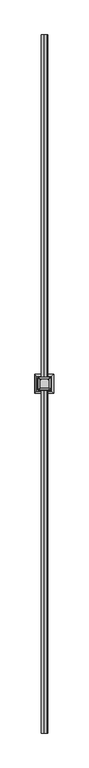
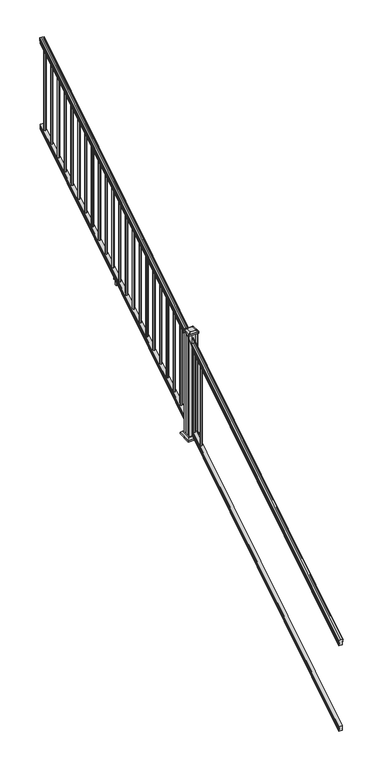
"""IFC4 building model written with IfcOpenShell, lengths in millimetres: railing geometry."""

from ifc_helpers import new_model, si_unit, point, frame, frame_2d, origin, place, context, project, spatial, polyline, circle_curve, ellipse_curve, trimmed, segment, composite_curve, outline, extrude, faceted_brep, source, transform, mapped, element, save
from ifc_brep_helpers import plane_surface, cylinder_surface, revolved_surface, extruded_surface, advanced_brep


def railing_e798751c(model_context):
    return source(origin(), model_context, "Body", "SolidModel", [
        advanced_brep(
        [(8367.5614371, -16813.8194681, 1133.2070492), (8370.1352659, -16813.8194681, 1133.2070492), (8370.1352659, -16813.8194681, 1120.6394336), (8369.1192659, -16813.8194681, 1119.441318), (8369.1192659, -16813.8194681, 1104.9), (8400.8692659, -16813.8194681, 1104.9), (8400.8692659, -16813.8194681, 1119.6274214), (8399.8532659, -16813.8194681, 1120.825537), (8399.8532659, -16813.8194681, 1133.2070492), (8402.4270946, -16813.8194681, 1133.2070492), (8402.4270946, -16813.8194681, 1135.4335658), (8403.5572809, -16813.8194681, 1137.2758543), (8403.5572809, -16813.8194681, 1145.7876358), (8402.9080245, -16813.8194681, 1148.6572588), (8405.4080245, -16813.8194681, 1153.7635509), (8406.817367, -16813.8194681, 1155.7442021), (8407.219266, -16813.8194681, 1157.0469579), (8407.2192659, -16813.8194681, 1158.6274846), (8405.6658186, -16813.8194681, 1160.4593836), (8384.9942659, -16813.8194681, 1160.4593836), (8364.3227131, -16813.8194681, 1160.4593836), (8362.7692659, -16813.8194681, 1158.6274846), (8362.7692659, -16813.8194681, 1157.0469579), (8363.1711648, -16813.8194681, 1155.7442021), (8364.5805072, -16813.8194681, 1153.7635509), (8367.0805072, -16813.8194681, 1148.6572588), (8366.4312508, -16813.8194681, 1145.7876358), (8366.4312508, -16813.8194681, 1137.2758543), (8367.5614371, -16813.8194681, 1135.4335658), (8367.5614371, -11937.0194681, 4181.2070492), (8367.5614371, -11937.0194681, 4183.4335658), (8366.4312508, -11937.0194681, 4185.2758543), (8366.4312508, -11937.0194681, 4193.7876358), (8367.0805072, -11937.0194681, 4196.6572588), (8364.5805072, -11937.0194681, 4201.7635509), (8363.1711648, -11937.0194681, 4203.7442021), (8362.7692658, -11937.0194681, 4205.0469579), (8362.7692659, -11937.0194681, 4206.6274846), (8364.3227131, -11937.0194681, 4208.4593836), (8384.9942659, -11937.0194681, 4208.4593836), (8405.6658186, -11937.0194681, 4208.4593836), (8407.2192659, -11937.0194681, 4206.6274846), (8407.2192659, -11937.0194681, 4205.0469579), (8406.817367, -11937.0194681, 4203.7442021), (8405.4080245, -11937.0194681, 4201.7635509), (8402.9080245, -11937.0194681, 4196.6572588), (8403.5572809, -11937.0194681, 4193.7876358), (8403.5572809, -11937.0194681, 4185.2758543), (8402.4270946, -11937.0194681, 4183.4335658), (8402.4270946, -11937.0194681, 4181.2070492), (8399.8532659, -11937.0194681, 4181.2070492), (8399.8532659, -11937.0194681, 4168.825537), (8400.8692659, -11937.0194681, 4167.6274214), (8400.8692659, -11937.0194681, 4152.9), (8369.1192659, -11937.0194681, 4152.9), (8369.1192659, -11937.0194681, 4167.441318), (8370.1352659, -11937.0194681, 4168.6394336), (8370.1352659, -11937.0194681, 4181.2070492)],
        [
            (0, 1, ellipse_curve(frame((8368.8483515, -16813.8194681, 1133.2070492), z_axis=(0.0, -1.0, 0.0), x_axis=(0.0, 0.0, -1.0)), 1.5175907, 1.2869144)),
            (1, 2),
            (2, 3),
            (3, 4),
            (4, 5),
            (5, 6),
            (6, 7),
            (7, 8),
            (8, 9, ellipse_curve(frame((8401.1401802, -16813.8194681, 1133.2070492), z_axis=(0.0, -1.0, 0.0), x_axis=(0.0, 0.0, -1.0)), 1.5175907, 1.2869144)),
            (9, 10),
            (10, 11, ellipse_curve(frame((8396.1123413, -16813.8194681, 1142.2239405), z_axis=(0.0, -1.0, 0.0), x_axis=(0.0, 0.0, -1.0)), 10.0777926, 8.545951)),
            (11, 12, ellipse_curve(frame((8396.5494043, -16813.8194681, 1141.5317451), z_axis=(0.0, -1.0, 0.0), x_axis=(0.0, 0.0, -1.0)), 9.2955186, 7.882584)),
            (12, 13, ellipse_curve(frame((8407.0627284, -16813.8194681, 1148.4275077), z_axis=(0.0, 1.0, 0.0), x_axis=(0.0, 0.0, 1.0)), 4.9048088, 4.1592695)),
            (13, 14, ellipse_curve(frame((8408.350035, -16813.8194681, 1148.3563208), z_axis=(0.0, 1.0, 0.0), x_axis=(0.0, 0.0, 1.0)), 6.4245301, 5.4479907)),
            (14, 15, ellipse_curve(frame((8407.1168765, -16813.8194681, 1153.7602333), z_axis=(0.0, 1.0, 0.0), x_axis=(0.0, 0.0, 1.0)), 2.0151625, 1.7088543)),
            (15, 16, ellipse_curve(frame((8405.4999764, -16813.8194681, 1157.0469579), z_axis=(0.0, -1.0, 0.0), x_axis=(0.0, 0.0, -1.0)), 2.0274681, 1.7192895)),
            (16, 17),
            (17, 18, ellipse_curve(frame((8405.6658186, -16813.8194681, 1158.6274846), z_axis=(0.0, -1.0, 0.0), x_axis=(0.0, 0.0, -1.0)), 1.831899, 1.5534472)),
            (18, 19),
            (19, 20),
            (20, 21, ellipse_curve(frame((8364.3227131, -16813.8194681, 1158.6274846), z_axis=(0.0, -1.0, 0.0), x_axis=(0.0, 0.0, -1.0)), 1.831899, 1.5534472)),
            (21, 22),
            (22, 23, ellipse_curve(frame((8364.4885553, -16813.8194681, 1157.0469579), z_axis=(0.0, -1.0, 0.0), x_axis=(0.0, 0.0, -1.0)), 2.0274681, 1.7192895)),
            (23, 24, ellipse_curve(frame((8362.8716552, -16813.8194681, 1153.7602333), z_axis=(0.0, 1.0, 0.0), x_axis=(0.0, 0.0, 1.0)), 2.0151625, 1.7088543)),
            (24, 25, ellipse_curve(frame((8361.6384968, -16813.8194681, 1148.3563208), z_axis=(0.0, 1.0, 0.0), x_axis=(0.0, 0.0, 1.0)), 6.4245301, 5.4479907)),
            (25, 26, ellipse_curve(frame((8362.9258033, -16813.8194681, 1148.4275077), z_axis=(0.0, 1.0, 0.0), x_axis=(0.0, 0.0, 1.0)), 4.9048088, 4.1592695)),
            (26, 27, ellipse_curve(frame((8373.4391275, -16813.8194681, 1141.5317451), z_axis=(0.0, -1.0, 0.0), x_axis=(0.0, 0.0, -1.0)), 9.2955186, 7.882584)),
            (27, 28, ellipse_curve(frame((8373.8761904, -16813.8194681, 1142.2239405), z_axis=(0.0, -1.0, 0.0), x_axis=(0.0, 0.0, -1.0)), 10.0777926, 8.545951)),
            (28, 0),
            (29, 30),
            (30, 31, ellipse_curve(frame((8373.8761904, -11937.0194681, 4190.2239405), z_axis=(0.0, 1.0, 0.0), x_axis=(0.0, 0.0, -1.0)), 10.0777926, 8.545951)),
            (31, 32, ellipse_curve(frame((8373.4391275, -11937.0194681, 4189.5317451), z_axis=(0.0, 1.0, 0.0), x_axis=(0.0, 0.0, -1.0)), 9.2955186, 7.882584)),
            (32, 33, ellipse_curve(frame((8362.9258033, -11937.0194681, 4196.4275077), z_axis=(0.0, -1.0, 0.0), x_axis=(0.0, 0.0, 1.0)), 4.9048088, 4.1592695)),
            (33, 34, ellipse_curve(frame((8361.6384968, -11937.0194681, 4196.3563208), z_axis=(0.0, -1.0, 0.0), x_axis=(0.0, 0.0, 1.0)), 6.4245301, 5.4479907)),
            (34, 35, ellipse_curve(frame((8362.8716552, -11937.0194681, 4201.7602333), z_axis=(0.0, -1.0, 0.0), x_axis=(0.0, 0.0, 1.0)), 2.0151625, 1.7088543)),
            (35, 36, ellipse_curve(frame((8364.4885553, -11937.0194681, 4205.0469579), z_axis=(0.0, 1.0, 0.0), x_axis=(0.0, 0.0, -1.0)), 2.0274681, 1.7192895)),
            (36, 37),
            (37, 38, ellipse_curve(frame((8364.3227131, -11937.0194681, 4206.6274846), z_axis=(0.0, 1.0, 0.0), x_axis=(0.0, 0.0, -1.0)), 1.831899, 1.5534472)),
            (38, 39),
            (39, 40),
            (40, 41, ellipse_curve(frame((8405.6658186, -11937.0194681, 4206.6274846), z_axis=(0.0, 1.0, 0.0), x_axis=(0.0, 0.0, -1.0)), 1.831899, 1.5534472)),
            (41, 42),
            (42, 43, ellipse_curve(frame((8405.4999764, -11937.0194681, 4205.0469579), z_axis=(0.0, 1.0, 0.0), x_axis=(0.0, 0.0, -1.0)), 2.0274681, 1.7192895)),
            (43, 44, ellipse_curve(frame((8407.1168765, -11937.0194681, 4201.7602333), z_axis=(0.0, -1.0, 0.0), x_axis=(0.0, 0.0, 1.0)), 2.0151625, 1.7088543)),
            (44, 45, ellipse_curve(frame((8408.350035, -11937.0194681, 4196.3563208), z_axis=(0.0, -1.0, 0.0), x_axis=(0.0, 0.0, 1.0)), 6.4245301, 5.4479907)),
            (45, 46, ellipse_curve(frame((8407.0627284, -11937.0194681, 4196.4275077), z_axis=(0.0, -1.0, 0.0), x_axis=(0.0, 0.0, 1.0)), 4.9048088, 4.1592695)),
            (46, 47, ellipse_curve(frame((8396.5494043, -11937.0194681, 4189.5317451), z_axis=(0.0, 1.0, 0.0), x_axis=(0.0, 0.0, -1.0)), 9.2955186, 7.882584)),
            (47, 48, ellipse_curve(frame((8396.1123413, -11937.0194681, 4190.2239405), z_axis=(0.0, 1.0, 0.0), x_axis=(0.0, 0.0, -1.0)), 10.0777926, 8.545951)),
            (48, 49),
            (49, 50, ellipse_curve(frame((8401.1401802, -11937.0194681, 4181.2070492), z_axis=(0.0, 1.0, 0.0), x_axis=(0.0, 0.0, -1.0)), 1.5175907, 1.2869144)),
            (50, 51),
            (51, 52),
            (52, 53),
            (53, 54),
            (54, 55),
            (55, 56),
            (56, 57),
            (57, 29, ellipse_curve(frame((8368.8483515, -11937.0194681, 4181.2070492), z_axis=(0.0, 1.0, 0.0), x_axis=(0.0, 0.0, -1.0)), 1.5175907, 1.2869144)),
            (0, 29),
            (57, 1),
            (56, 2),
            (55, 3),
            (54, 4),
            (53, 5),
            (52, 6),
            (51, 7),
            (50, 8),
            (49, 9),
            (48, 10),
            (47, 11),
            (46, 12),
            (45, 13),
            (44, 14),
            (43, 15),
            (42, 16),
            (41, 17),
            (40, 18),
            (39, 19),
            (38, 20),
            (37, 21),
            (36, 22),
            (35, 23),
            (34, 24),
            (33, 25),
            (32, 26),
            (31, 27),
            (30, 28),
        ],
        [
            plane_surface(frame((8384.9942659, -16813.8194681, 1104.9), z_axis=(0.0, -1.0, 0.0), x_axis=(0.0, 0.0, 1.0))),
            plane_surface(frame((8384.9942659, -11937.0194681, 4152.9), z_axis=(0.0, 1.0, 0.0), x_axis=(0.0, 0.0, 1.0))),
            cylinder_surface(frame((8368.8483515, -16826.5417374, 1125.2556309), z_axis=(0.0, -0.8479983040051251, -0.5299989400031206), x_axis=(1.0, 0.0, 0.0)), 1.2869144),
            plane_surface(frame((8370.1352659, -16813.8194681, 1133.2070492), z_axis=(-1.0000000000000002, 0.0, 0.0), x_axis=(0.0, 0.8479983040051251, 0.5299989400031208))),
            plane_surface(frame((8370.1352659, -16813.8194681, 1120.6394336), z_axis=(-0.7071067811865402, -0.37476584449789196, 0.5996253511967222), x_axis=(0.0, 0.8479983040051251, 0.5299989400031206))),
            plane_surface(frame((8369.1192659, -16813.8194681, 1119.441318), z_axis=(-1.0000000000000002, 0.0, 0.0), x_axis=(0.0, 0.8479983040051251, 0.5299989400031208))),
            plane_surface(frame((8369.1192659, -16813.8194681, 1104.9), z_axis=(0.0, 0.5299989400031208, -0.8479983040051251), x_axis=(0.0, 0.8479983040051251, 0.5299989400031208))),
            plane_surface(frame((8400.8692659, -16813.8194681, 1104.9), z_axis=(1.0000000000000002, 0.0, 0.0), x_axis=(0.0, 0.8479983040051251, 0.5299989400031208))),
            plane_surface(frame((8400.8692659, -16813.8194681, 1119.6274214), z_axis=(0.7071067811865426, -0.3747658444978923, 0.5996253511967192), x_axis=(0.0, 0.8479983040051251, 0.5299989400031208))),
            plane_surface(frame((8399.8532659, -16813.8194681, 1120.825537), z_axis=(1.0, 0.0, 0.0), x_axis=(0.0, 0.8479983040051251, 0.5299989400031206))),
            cylinder_surface(frame((8401.1401802, -16826.5417374, 1125.2556309), z_axis=(0.0, -0.8479983040051251, -0.5299989400031206), x_axis=(-1.0, 0.0, 0.0)), 1.2869144),
            plane_surface(frame((8402.4270946, -16813.8194681, 1133.2070492), z_axis=(1.0000000000000002, 0.0, 0.0), x_axis=(0.0, 0.8479983040051251, 0.5299989400031208))),
            cylinder_surface(frame((8396.1123413, -16830.5942728, 1131.7396876), z_axis=(0.0, -0.8479983040051251, -0.5299989400031206), x_axis=(-1.0, 0.0, 0.0)), 8.545951),
            cylinder_surface(frame((8396.5494043, -16830.2831737, 1131.241929), z_axis=(0.0, -0.8479983040051251, -0.5299989400031206), x_axis=(-1.0, 0.0, 0.0)), 7.882584),
            revolved_surface(polyline([(8402.9034589, -11934.815059650347, 4197.805262980555), (8402.9034589, -16816.023876549436, 1147.0497524191003)]), (8407.0627284, -16833.3823929, 1136.2006797), (0.0, 0.8479983040051251, 0.5299989400031206)),
            revolved_surface(polyline([(8402.902044299999, -11934.132038835742, 4198.160964077186), (8402.902044299999, -16816.706897352808, 1146.5516775044946)]), (8408.350035, -16833.3503988, 1136.1494891), (0.0, 0.8479983040051251, 0.5299989400031206)),
            revolved_surface(polyline([(8405.4080222, -11936.113777099785, 4202.326290199658), (8405.4080222, -16814.72515912247, 1153.1941764359544)]), (8407.1168765, -16835.7791235, 1140.0354487), (0.0, 0.8479983040051251, 0.5299989400031206)),
            cylinder_surface(frame((8405.4999764, -16837.2563031, 1142.398936), z_axis=(0.0, -0.8479983040051251, -0.5299989400031206), x_axis=(-1.0, 0.0, 0.0)), 1.7192895),
            plane_surface(frame((8407.2192659, -16813.8194681, 1157.0469579), z_axis=(1.0, 0.0, 0.0), x_axis=(0.0, 0.8479983040051251, 0.5299989400031206))),
            cylinder_surface(frame((8405.6658186, -16837.9666522, 1143.5354945), z_axis=(0.0, -0.8479983040051251, -0.5299989400031206), x_axis=(-1.0, 0.0, 0.0)), 1.5534472),
            plane_surface(frame((8405.6658186, -16813.8194681, 1160.4593836), z_axis=(0.0, -0.5299989400031208, 0.8479983040051251), x_axis=(0.0, 0.8479983040051251, 0.5299989400031208))),
            plane_surface(frame((8384.9942659, -16813.8194681, 1160.4593836), z_axis=(0.0, -0.5299989400031208, 0.8479983040051251), x_axis=(0.0, 0.8479983040051251, 0.5299989400031208))),
            cylinder_surface(frame((8364.3227131, -16837.9666522, 1143.5354945), z_axis=(0.0, -0.8479983040051251, -0.5299989400031206), x_axis=(1.0, 0.0, 0.0)), 1.5534472),
            plane_surface(frame((8362.7692659, -16813.8194681, 1158.6274846), z_axis=(-1.0000000000000002, 0.0, 0.0), x_axis=(0.0, 0.8479983040051251, 0.5299989400031208))),
            cylinder_surface(frame((8364.4885553, -16837.2563031, 1142.398936), z_axis=(0.0, -0.8479983040051251, -0.5299989400031206), x_axis=(1.0, 0.0, 0.0)), 1.7192895),
            revolved_surface(polyline([(8364.580509500001, -11936.113777099785, 4202.326290199658), (8364.580509500001, -16814.72515912247, 1153.1941764359544)]), (8362.8716552, -16835.7791235, 1140.0354487), (0.0, 0.8479983040051251, 0.5299989400031206)),
            revolved_surface(polyline([(8367.0864875, -11934.132038835742, 4198.160964077186), (8367.0864875, -16816.706897352808, 1146.5516775044946)]), (8361.6384968, -16833.3503988, 1136.1494891), (0.0, 0.8479983040051251, 0.5299989400031206)),
            revolved_surface(polyline([(8367.0850728, -11934.815059650347, 4197.805262980555), (8367.0850728, -16816.023876549436, 1147.0497524191003)]), (8362.9258033, -16833.3823929, 1136.2006797), (0.0, 0.8479983040051251, 0.5299989400031206)),
            cylinder_surface(frame((8373.4391275, -16830.2831737, 1131.241929), z_axis=(0.0, -0.8479983040051251, -0.5299989400031206), x_axis=(1.0, 0.0, 0.0)), 7.882584),
            cylinder_surface(frame((8373.8761904, -16830.5942728, 1131.7396876), z_axis=(0.0, -0.8479983040051251, -0.5299989400031206), x_axis=(1.0, 0.0, 0.0)), 8.545951),
            plane_surface(frame((8367.5614371, -16813.8194681, 1135.4335658), z_axis=(-1.0, 0.0, 0.0), x_axis=(0.0, 0.8479983040051251, 0.5299989400031206))),
        ],
        [
            (0, [[1, 2, 3, 4, 5, 6, 7, 8, 9, 10, 11, 12, 13, 14, 15, 16, 17, 18, 19, 20, 21, 22, 23, 24, 25, 26, 27, 28, 29]]),
            (1, [[30, 31, 32, 33, 34, 35, 36, 37, 38, 39, 40, 41, 42, 43, 44, 45, 46, 47, 48, 49, 50, 51, 52, 53, 54, 55, 56, 57, 58]]),
            (2, [[-1, 59, -58, 60]]),
            (3, [[-2, -60, -57, 61]]),
            (4, [[-3, -61, -56, 62]]),
            (5, [[-4, -62, -55, 63]]),
            (6, [[-5, -63, -54, 64]]),
            (7, [[-6, -64, -53, 65]]),
            (8, [[-7, -65, -52, 66]]),
            (9, [[-8, -66, -51, 67]]),
            (10, [[-9, -67, -50, 68]]),
            (11, [[-10, -68, -49, 69]]),
            (12, [[-11, -69, -48, 70]]),
            (13, [[-12, -70, -47, 71]]),
            (14, [[-13, -71, -46, 72]]),
            (15, [[-14, -72, -45, 73]]),
            (16, [[-15, -73, -44, 74]]),
            (17, [[-16, -74, -43, 75]]),
            (18, [[-17, -75, -42, 76]]),
            (19, [[-18, -76, -41, 77]]),
            (20, [[-19, -77, -40, 78]]),
            (21, [[-20, -78, -39, 79]]),
            (22, [[-21, -79, -38, 80]]),
            (23, [[-22, -80, -37, 81]]),
            (24, [[-23, -81, -36, 82]]),
            (25, [[-24, -82, -35, 83]]),
            (26, [[-25, -83, -34, 84]]),
            (27, [[-26, -84, -33, 85]]),
            (28, [[-27, -85, -32, 86]]),
            (29, [[-28, -86, -31, 87]]),
            (30, [[-29, -87, -30, -59]]),
        ],
    ),
        faceted_brep([(8369.081779, -16813.8194681, 268.8045079), (8369.081779, -16813.8194681, 254.0), (8400.831779, -16813.8194681, 254.0), (8400.831779, -16813.8194681, 268.7848772), (8399.815779, -16813.8194681, 270.3748303), (8399.815779, -16813.8194681, 282.5348741), (8400.831779, -16813.8194681, 284.1248272), (8400.831779, -16813.8194681, 298.9244744), (8369.081779, -16813.8194681, 298.9244744), (8369.081779, -16813.8194681, 284.1444579), (8370.097779, -16813.8194681, 282.5545048), (8370.097779, -16813.8194681, 270.338026), (8369.081779, -11937.0194681, 3316.8045079), (8370.097779, -11937.0194681, 3318.338026), (8370.097779, -11937.0194681, 3330.5545048), (8369.081779, -11937.0194681, 3332.1444579), (8369.081779, -11937.0194681, 3346.9244744), (8400.831779, -11937.0194681, 3346.9244744), (8400.831779, -11937.0194681, 3332.1248272), (8399.815779, -11937.0194681, 3330.5348741), (8399.815779, -11937.0194681, 3318.3748303), (8400.831779, -11937.0194681, 3316.7848772), (8400.831779, -11937.0194681, 3302.0), (8369.081779, -11937.0194681, 3302.0)], [[[0, 1, 2, 3, 4, 5, 6, 7, 8, 9, 10, 11]], [[12, 13, 14, 15, 16, 17, 18, 19, 20, 21, 22, 23]], [[1, 0, 12, 23]], [[2, 1, 23, 22]], [[3, 2, 22, 21]], [[4, 3, 21, 20]], [[5, 4, 20, 19]], [[6, 5, 19, 18]], [[7, 6, 18, 17]], [[8, 7, 17, 16]], [[9, 8, 16, 15]], [[10, 9, 15, 14]], [[11, 10, 14, 13]], [[0, 11, 13, 12]]]),
        extrude(outline(composite_curve([segment(trimmed(circle_curve(frame_2d((8384.9942659, -11984.2634681)), 9.525), [point((8375.4692659, -11984.2634681))], [point((8384.9942659, -11974.7384681))], False, "CARTESIAN"), True, "CONTINUOUS"), segment(trimmed(circle_curve(frame_2d((8384.9942659, -11984.2634681)), 9.525), [point((8384.9942659, -11974.7384681))], [point((8394.5192659, -11984.2634681))], False, "CARTESIAN"), True, "CONTINUOUS"), segment(trimmed(circle_curve(frame_2d((8384.9942659, -11984.2634681)), 9.525), [point((8394.5192659, -11984.2634681))], [point((8384.9942659, -11993.7884681))], False, "CARTESIAN"), True, "CONTINUOUS"), segment(trimmed(circle_curve(frame_2d((8384.9942659, -11984.2634681)), 9.525), [point((8384.9942659, -11993.7884681))], [point((8375.4692659, -11984.2634681))], False, "CARTESIAN"), True, "CONTINUOUS")], self_intersect=False)), frame((0.0, 0.0, 3310.5683781), z_axis=(0.0, 0.0, 1.0), x_axis=(1.0, 0.0, 0.0)), (0.0, 0.0, 1.0), 812.8041219),
        extrude(outline(composite_curve([segment(trimmed(circle_curve(frame_2d((8384.9942659, -12095.5154681)), 9.525), [point((8375.4692659, -12095.5154681))], [point((8384.9942659, -12085.9904681))], False, "CARTESIAN"), True, "CONTINUOUS"), segment(trimmed(circle_curve(frame_2d((8384.9942659, -12095.5154681)), 9.525), [point((8384.9942659, -12085.9904681))], [point((8394.5192659, -12095.5154681))], False, "CARTESIAN"), True, "CONTINUOUS"), segment(trimmed(circle_curve(frame_2d((8384.9942659, -12095.5154681)), 9.525), [point((8394.5192659, -12095.5154681))], [point((8384.9942659, -12105.0404681))], False, "CARTESIAN"), True, "CONTINUOUS"), segment(trimmed(circle_curve(frame_2d((8384.9942659, -12095.5154681)), 9.525), [point((8384.9942659, -12105.0404681))], [point((8375.4692659, -12095.5154681))], False, "CARTESIAN"), True, "CONTINUOUS")], self_intersect=False)), frame((0.0, 0.0, 3241.0358781), z_axis=(0.0, 0.0, 1.0), x_axis=(1.0, 0.0, 0.0)), (0.0, 0.0, 1.0), 812.8041219),
        extrude(outline(composite_curve([segment(trimmed(circle_curve(frame_2d((8384.9942659, -12206.7674681)), 9.525), [point((8375.4692659, -12206.7674681))], [point((8384.9942659, -12197.2424681))], False, "CARTESIAN"), True, "CONTINUOUS"), segment(trimmed(circle_curve(frame_2d((8384.9942659, -12206.7674681)), 9.525), [point((8384.9942659, -12197.2424681))], [point((8394.5192659, -12206.7674681))], False, "CARTESIAN"), True, "CONTINUOUS"), segment(trimmed(circle_curve(frame_2d((8384.9942659, -12206.7674681)), 9.525), [point((8394.5192659, -12206.7674681))], [point((8384.9942659, -12216.2924681))], False, "CARTESIAN"), True, "CONTINUOUS"), segment(trimmed(circle_curve(frame_2d((8384.9942659, -12206.7674681)), 9.525), [point((8384.9942659, -12216.2924681))], [point((8375.4692659, -12206.7674681))], False, "CARTESIAN"), True, "CONTINUOUS")], self_intersect=False)), frame((0.0, 0.0, 3171.5033781), z_axis=(0.0, 0.0, 1.0), x_axis=(1.0, 0.0, 0.0)), (0.0, 0.0, 1.0), 812.8041219),
        extrude(outline(composite_curve([segment(trimmed(circle_curve(frame_2d((8384.9942659, -12318.0194681)), 9.525), [point((8375.4692659, -12318.0194681))], [point((8384.9942659, -12308.4944681))], False, "CARTESIAN"), True, "CONTINUOUS"), segment(trimmed(circle_curve(frame_2d((8384.9942659, -12318.0194681)), 9.525), [point((8384.9942659, -12308.4944681))], [point((8394.5192659, -12318.0194681))], False, "CARTESIAN"), True, "CONTINUOUS"), segment(trimmed(circle_curve(frame_2d((8384.9942659, -12318.0194681)), 9.525), [point((8394.5192659, -12318.0194681))], [point((8384.9942659, -12327.5444681))], False, "CARTESIAN"), True, "CONTINUOUS"), segment(trimmed(circle_curve(frame_2d((8384.9942659, -12318.0194681)), 9.525), [point((8384.9942659, -12327.5444681))], [point((8375.4692659, -12318.0194681))], False, "CARTESIAN"), True, "CONTINUOUS")], self_intersect=False)), frame((0.0, 0.0, 3101.9708781), z_axis=(0.0, 0.0, 1.0), x_axis=(1.0, 0.0, 0.0)), (0.0, 0.0, 1.0), 812.8041219),
        extrude(outline(composite_curve([segment(trimmed(circle_curve(frame_2d((8384.9942659, -12429.2714681)), 9.525), [point((8375.4692659, -12429.2714681))], [point((8384.9942659, -12419.7464681))], False, "CARTESIAN"), True, "CONTINUOUS"), segment(trimmed(circle_curve(frame_2d((8384.9942659, -12429.2714681)), 9.525), [point((8384.9942659, -12419.7464681))], [point((8394.5192659, -12429.2714681))], False, "CARTESIAN"), True, "CONTINUOUS"), segment(trimmed(circle_curve(frame_2d((8384.9942659, -12429.2714681)), 9.525), [point((8394.5192659, -12429.2714681))], [point((8384.9942659, -12438.7964681))], False, "CARTESIAN"), True, "CONTINUOUS"), segment(trimmed(circle_curve(frame_2d((8384.9942659, -12429.2714681)), 9.525), [point((8384.9942659, -12438.7964681))], [point((8375.4692659, -12429.2714681))], False, "CARTESIAN"), True, "CONTINUOUS")], self_intersect=False)), frame((0.0, 0.0, 3032.4383781), z_axis=(0.0, 0.0, 1.0), x_axis=(1.0, 0.0, 0.0)), (0.0, 0.0, 1.0), 812.8041219),
        extrude(outline(composite_curve([segment(trimmed(circle_curve(frame_2d((8384.9942659, -12540.5234681)), 9.525), [point((8375.4692659, -12540.5234681))], [point((8384.9942659, -12530.9984681))], False, "CARTESIAN"), True, "CONTINUOUS"), segment(trimmed(circle_curve(frame_2d((8384.9942659, -12540.5234681)), 9.525), [point((8384.9942659, -12530.9984681))], [point((8394.5192659, -12540.5234681))], False, "CARTESIAN"), True, "CONTINUOUS"), segment(trimmed(circle_curve(frame_2d((8384.9942659, -12540.5234681)), 9.525), [point((8394.5192659, -12540.5234681))], [point((8384.9942659, -12550.0484681))], False, "CARTESIAN"), True, "CONTINUOUS"), segment(trimmed(circle_curve(frame_2d((8384.9942659, -12540.5234681)), 9.525), [point((8384.9942659, -12550.0484681))], [point((8375.4692659, -12540.5234681))], False, "CARTESIAN"), True, "CONTINUOUS")], self_intersect=False)), frame((0.0, 0.0, 2962.9058781), z_axis=(0.0, 0.0, 1.0), x_axis=(1.0, 0.0, 0.0)), (0.0, 0.0, 1.0), 812.8041219),
        extrude(outline(composite_curve([segment(trimmed(circle_curve(frame_2d((8384.9942659, -12651.7754681)), 9.525), [point((8375.4692659, -12651.7754681))], [point((8384.9942659, -12642.2504681))], False, "CARTESIAN"), True, "CONTINUOUS"), segment(trimmed(circle_curve(frame_2d((8384.9942659, -12651.7754681)), 9.525), [point((8384.9942659, -12642.2504681))], [point((8394.5192659, -12651.7754681))], False, "CARTESIAN"), True, "CONTINUOUS"), segment(trimmed(circle_curve(frame_2d((8384.9942659, -12651.7754681)), 9.525), [point((8394.5192659, -12651.7754681))], [point((8384.9942659, -12661.3004681))], False, "CARTESIAN"), True, "CONTINUOUS"), segment(trimmed(circle_curve(frame_2d((8384.9942659, -12651.7754681)), 9.525), [point((8384.9942659, -12661.3004681))], [point((8375.4692659, -12651.7754681))], False, "CARTESIAN"), True, "CONTINUOUS")], self_intersect=False)), frame((0.0, 0.0, 2893.3733781), z_axis=(0.0, 0.0, 1.0), x_axis=(1.0, 0.0, 0.0)), (0.0, 0.0, 1.0), 812.8041219),
        extrude(outline(composite_curve([segment(trimmed(circle_curve(frame_2d((8384.9942659, -12763.0274681)), 9.525), [point((8375.4692659, -12763.0274681))], [point((8384.9942659, -12753.5024681))], False, "CARTESIAN"), True, "CONTINUOUS"), segment(trimmed(circle_curve(frame_2d((8384.9942659, -12763.0274681)), 9.525), [point((8384.9942659, -12753.5024681))], [point((8394.5192659, -12763.0274681))], False, "CARTESIAN"), True, "CONTINUOUS"), segment(trimmed(circle_curve(frame_2d((8384.9942659, -12763.0274681)), 9.525), [point((8394.5192659, -12763.0274681))], [point((8384.9942659, -12772.5524681))], False, "CARTESIAN"), True, "CONTINUOUS"), segment(trimmed(circle_curve(frame_2d((8384.9942659, -12763.0274681)), 9.525), [point((8384.9942659, -12772.5524681))], [point((8375.4692659, -12763.0274681))], False, "CARTESIAN"), True, "CONTINUOUS")], self_intersect=False)), frame((0.0, 0.0, 2823.8408781), z_axis=(0.0, 0.0, 1.0), x_axis=(1.0, 0.0, 0.0)), (0.0, 0.0, 1.0), 812.8041219),
        extrude(outline(composite_curve([segment(trimmed(circle_curve(frame_2d((8384.9942659, -12874.2794681)), 9.525), [point((8375.4692659, -12874.2794681))], [point((8384.9942659, -12864.7544681))], False, "CARTESIAN"), True, "CONTINUOUS"), segment(trimmed(circle_curve(frame_2d((8384.9942659, -12874.2794681)), 9.525), [point((8384.9942659, -12864.7544681))], [point((8394.5192659, -12874.2794681))], False, "CARTESIAN"), True, "CONTINUOUS"), segment(trimmed(circle_curve(frame_2d((8384.9942659, -12874.2794681)), 9.525), [point((8394.5192659, -12874.2794681))], [point((8384.9942659, -12883.8044681))], False, "CARTESIAN"), True, "CONTINUOUS"), segment(trimmed(circle_curve(frame_2d((8384.9942659, -12874.2794681)), 9.525), [point((8384.9942659, -12883.8044681))], [point((8375.4692659, -12874.2794681))], False, "CARTESIAN"), True, "CONTINUOUS")], self_intersect=False)), frame((0.0, 0.0, 2754.3083781), z_axis=(0.0, 0.0, 1.0), x_axis=(1.0, 0.0, 0.0)), (0.0, 0.0, 1.0), 812.8041219),
        extrude(outline(composite_curve([segment(trimmed(circle_curve(frame_2d((8384.9942659, -12985.5314681)), 9.525), [point((8375.4692659, -12985.5314681))], [point((8384.9942659, -12976.0064681))], False, "CARTESIAN"), True, "CONTINUOUS"), segment(trimmed(circle_curve(frame_2d((8384.9942659, -12985.5314681)), 9.525), [point((8384.9942659, -12976.0064681))], [point((8394.5192659, -12985.5314681))], False, "CARTESIAN"), True, "CONTINUOUS"), segment(trimmed(circle_curve(frame_2d((8384.9942659, -12985.5314681)), 9.525), [point((8394.5192659, -12985.5314681))], [point((8384.9942659, -12995.0564681))], False, "CARTESIAN"), True, "CONTINUOUS"), segment(trimmed(circle_curve(frame_2d((8384.9942659, -12985.5314681)), 9.525), [point((8384.9942659, -12995.0564681))], [point((8375.4692659, -12985.5314681))], False, "CARTESIAN"), True, "CONTINUOUS")], self_intersect=False)), frame((0.0, 0.0, 2684.7758781), z_axis=(0.0, 0.0, 1.0), x_axis=(1.0, 0.0, 0.0)), (0.0, 0.0, 1.0), 812.8041219),
        extrude(outline(composite_curve([segment(trimmed(circle_curve(frame_2d((8384.9942659, -13096.7834681)), 9.525), [point((8375.4692659, -13096.7834681))], [point((8384.9942659, -13087.2584681))], False, "CARTESIAN"), True, "CONTINUOUS"), segment(trimmed(circle_curve(frame_2d((8384.9942659, -13096.7834681)), 9.525), [point((8384.9942659, -13087.2584681))], [point((8394.5192659, -13096.7834681))], False, "CARTESIAN"), True, "CONTINUOUS"), segment(trimmed(circle_curve(frame_2d((8384.9942659, -13096.7834681)), 9.525), [point((8394.5192659, -13096.7834681))], [point((8384.9942659, -13106.3084681))], False, "CARTESIAN"), True, "CONTINUOUS"), segment(trimmed(circle_curve(frame_2d((8384.9942659, -13096.7834681)), 9.525), [point((8384.9942659, -13106.3084681))], [point((8375.4692659, -13096.7834681))], False, "CARTESIAN"), True, "CONTINUOUS")], self_intersect=False)), frame((0.0, 0.0, 2615.2433781), z_axis=(0.0, 0.0, 1.0), x_axis=(1.0, 0.0, 0.0)), (0.0, 0.0, 1.0), 812.8041219),
        extrude(outline(polyline([(2565.2203979, 8403.1552647), (2565.2203979, 8401.1232651), (2564.2043953, 8400.1072653), (2553.7686081, 8400.1072653), (2552.7526073, 8401.1232651), (2540.762001, 8401.1232651), (2540.0000019, 8400.361266), (2540.0000019, 8369.6272648), (2540.762001, 8368.8652657), (2552.7526073, 8368.8652657), (2553.7686081, 8369.8812655), (2564.2043953, 8369.8812655), (2565.2203979, 8368.8652657), (2565.2203979, 8366.8332661), (2564.4583969, 8366.0712651), (2537.9680023, 8366.0712651), (2537.2060013, 8366.8332661), (2537.2060013, 8376.8662651), (2536.4440012, 8377.6282652), (2477.262001, 8377.6282652), (2476.5, 8378.3902663), (2476.5, 8391.5982655), (2477.2620001, 8392.3602656), (2536.4440012, 8392.3602656), (2537.2060013, 8393.1222657), (2537.2060013, 8403.1552647), (2537.9680023, 8403.9172657), (2564.4583969, 8403.9172657), (2565.2203979, 8403.1552647)]), holes=[polyline([(2537.2060013, 8381.5652655), (2537.2060013, 8388.4232653), (2536.4440012, 8389.1852654), (2480.4370003, 8389.1852654), (2479.6750031, 8388.4232682), (2479.6750031, 8381.5652655), (2480.4370031, 8380.8032654), (2536.4440012, 8380.8032654), (2537.2060013, 8381.5652655)])]), frame((0.0, -13159.7754681, 0.0), z_axis=(0.0, 1.0, 0.0), x_axis=(0.0, 0.0, 1.0)), (0.0, 0.0, 1.0), 14.732),
        extrude(outline(composite_curve([segment(trimmed(circle_curve(frame_2d((8384.9942659, -13208.0354681)), 9.525), [point((8375.4692659, -13208.0354681))], [point((8384.9942659, -13198.5104681))], False, "CARTESIAN"), True, "CONTINUOUS"), segment(trimmed(circle_curve(frame_2d((8384.9942659, -13208.0354681)), 9.525), [point((8384.9942659, -13198.5104681))], [point((8394.5192659, -13208.0354681))], False, "CARTESIAN"), True, "CONTINUOUS"), segment(trimmed(circle_curve(frame_2d((8384.9942659, -13208.0354681)), 9.525), [point((8394.5192659, -13208.0354681))], [point((8384.9942659, -13217.5604681))], False, "CARTESIAN"), True, "CONTINUOUS"), segment(trimmed(circle_curve(frame_2d((8384.9942659, -13208.0354681)), 9.525), [point((8384.9942659, -13217.5604681))], [point((8375.4692659, -13208.0354681))], False, "CARTESIAN"), True, "CONTINUOUS")], self_intersect=False)), frame((0.0, 0.0, 2545.7108781), z_axis=(0.0, 0.0, 1.0), x_axis=(1.0, 0.0, 0.0)), (0.0, 0.0, 1.0), 812.8041219),
        extrude(outline(composite_curve([segment(trimmed(circle_curve(frame_2d((8384.9942659, -13319.2874681)), 9.525), [point((8375.4692659, -13319.2874681))], [point((8384.9942659, -13309.7624681))], False, "CARTESIAN"), True, "CONTINUOUS"), segment(trimmed(circle_curve(frame_2d((8384.9942659, -13319.2874681)), 9.525), [point((8384.9942659, -13309.7624681))], [point((8394.5192659, -13319.2874681))], False, "CARTESIAN"), True, "CONTINUOUS"), segment(trimmed(circle_curve(frame_2d((8384.9942659, -13319.2874681)), 9.525), [point((8394.5192659, -13319.2874681))], [point((8384.9942659, -13328.8124681))], False, "CARTESIAN"), True, "CONTINUOUS"), segment(trimmed(circle_curve(frame_2d((8384.9942659, -13319.2874681)), 9.525), [point((8384.9942659, -13328.8124681))], [point((8375.4692659, -13319.2874681))], False, "CARTESIAN"), True, "CONTINUOUS")], self_intersect=False)), frame((0.0, 0.0, 2476.1783781), z_axis=(0.0, 0.0, 1.0), x_axis=(1.0, 0.0, 0.0)), (0.0, 0.0, 1.0), 812.8041219),
        extrude(outline(composite_curve([segment(trimmed(circle_curve(frame_2d((8384.9942659, -13430.5394681)), 9.525), [point((8375.4692659, -13430.5394681))], [point((8384.9942659, -13421.0144681))], False, "CARTESIAN"), True, "CONTINUOUS"), segment(trimmed(circle_curve(frame_2d((8384.9942659, -13430.5394681)), 9.525), [point((8384.9942659, -13421.0144681))], [point((8394.5192659, -13430.5394681))], False, "CARTESIAN"), True, "CONTINUOUS"), segment(trimmed(circle_curve(frame_2d((8384.9942659, -13430.5394681)), 9.525), [point((8394.5192659, -13430.5394681))], [point((8384.9942659, -13440.0644681))], False, "CARTESIAN"), True, "CONTINUOUS"), segment(trimmed(circle_curve(frame_2d((8384.9942659, -13430.5394681)), 9.525), [point((8384.9942659, -13440.0644681))], [point((8375.4692659, -13430.5394681))], False, "CARTESIAN"), True, "CONTINUOUS")], self_intersect=False)), frame((0.0, 0.0, 2406.6458781), z_axis=(0.0, 0.0, 1.0), x_axis=(1.0, 0.0, 0.0)), (0.0, 0.0, 1.0), 812.8041219),
        extrude(outline(composite_curve([segment(trimmed(circle_curve(frame_2d((8384.9942659, -13541.7914681)), 9.525), [point((8375.4692659, -13541.7914681))], [point((8384.9942659, -13532.2664681))], False, "CARTESIAN"), True, "CONTINUOUS"), segment(trimmed(circle_curve(frame_2d((8384.9942659, -13541.7914681)), 9.525), [point((8384.9942659, -13532.2664681))], [point((8394.5192659, -13541.7914681))], False, "CARTESIAN"), True, "CONTINUOUS"), segment(trimmed(circle_curve(frame_2d((8384.9942659, -13541.7914681)), 9.525), [point((8394.5192659, -13541.7914681))], [point((8384.9942659, -13551.3164681))], False, "CARTESIAN"), True, "CONTINUOUS"), segment(trimmed(circle_curve(frame_2d((8384.9942659, -13541.7914681)), 9.525), [point((8384.9942659, -13551.3164681))], [point((8375.4692659, -13541.7914681))], False, "CARTESIAN"), True, "CONTINUOUS")], self_intersect=False)), frame((0.0, 0.0, 2337.1133781), z_axis=(0.0, 0.0, 1.0), x_axis=(1.0, 0.0, 0.0)), (0.0, 0.0, 1.0), 812.8041219),
        extrude(outline(composite_curve([segment(trimmed(circle_curve(frame_2d((8384.9942659, -13653.0434681)), 9.525), [point((8375.4692659, -13653.0434681))], [point((8384.9942659, -13643.5184681))], False, "CARTESIAN"), True, "CONTINUOUS"), segment(trimmed(circle_curve(frame_2d((8384.9942659, -13653.0434681)), 9.525), [point((8384.9942659, -13643.5184681))], [point((8394.5192659, -13653.0434681))], False, "CARTESIAN"), True, "CONTINUOUS"), segment(trimmed(circle_curve(frame_2d((8384.9942659, -13653.0434681)), 9.525), [point((8394.5192659, -13653.0434681))], [point((8384.9942659, -13662.5684681))], False, "CARTESIAN"), True, "CONTINUOUS"), segment(trimmed(circle_curve(frame_2d((8384.9942659, -13653.0434681)), 9.525), [point((8384.9942659, -13662.5684681))], [point((8375.4692659, -13653.0434681))], False, "CARTESIAN"), True, "CONTINUOUS")], self_intersect=False)), frame((0.0, 0.0, 2267.5808781), z_axis=(0.0, 0.0, 1.0), x_axis=(1.0, 0.0, 0.0)), (0.0, 0.0, 1.0), 812.8041219),
        extrude(outline(composite_curve([segment(trimmed(circle_curve(frame_2d((8384.9942659, -13764.2954681)), 9.525), [point((8375.4692659, -13764.2954681))], [point((8384.9942659, -13754.7704681))], False, "CARTESIAN"), True, "CONTINUOUS"), segment(trimmed(circle_curve(frame_2d((8384.9942659, -13764.2954681)), 9.525), [point((8384.9942659, -13754.7704681))], [point((8394.5192659, -13764.2954681))], False, "CARTESIAN"), True, "CONTINUOUS"), segment(trimmed(circle_curve(frame_2d((8384.9942659, -13764.2954681)), 9.525), [point((8394.5192659, -13764.2954681))], [point((8384.9942659, -13773.8204681))], False, "CARTESIAN"), True, "CONTINUOUS"), segment(trimmed(circle_curve(frame_2d((8384.9942659, -13764.2954681)), 9.525), [point((8384.9942659, -13773.8204681))], [point((8375.4692659, -13764.2954681))], False, "CARTESIAN"), True, "CONTINUOUS")], self_intersect=False)), frame((0.0, 0.0, 2198.0483781), z_axis=(0.0, 0.0, 1.0), x_axis=(1.0, 0.0, 0.0)), (0.0, 0.0, 1.0), 812.8041219),
        extrude(outline(composite_curve([segment(trimmed(circle_curve(frame_2d((8384.9942659, -13875.5474681)), 9.525), [point((8375.4692659, -13875.5474681))], [point((8384.9942659, -13866.0224681))], False, "CARTESIAN"), True, "CONTINUOUS"), segment(trimmed(circle_curve(frame_2d((8384.9942659, -13875.5474681)), 9.525), [point((8384.9942659, -13866.0224681))], [point((8394.5192659, -13875.5474681))], False, "CARTESIAN"), True, "CONTINUOUS"), segment(trimmed(circle_curve(frame_2d((8384.9942659, -13875.5474681)), 9.525), [point((8394.5192659, -13875.5474681))], [point((8384.9942659, -13885.0724681))], False, "CARTESIAN"), True, "CONTINUOUS"), segment(trimmed(circle_curve(frame_2d((8384.9942659, -13875.5474681)), 9.525), [point((8384.9942659, -13885.0724681))], [point((8375.4692659, -13875.5474681))], False, "CARTESIAN"), True, "CONTINUOUS")], self_intersect=False)), frame((0.0, 0.0, 2128.5158781), z_axis=(0.0, 0.0, 1.0), x_axis=(1.0, 0.0, 0.0)), (0.0, 0.0, 1.0), 812.8041219),
        extrude(outline(composite_curve([segment(trimmed(circle_curve(frame_2d((8384.9942659, -13986.7994681)), 9.525), [point((8375.4692659, -13986.7994681))], [point((8384.9942659, -13977.2744681))], False, "CARTESIAN"), True, "CONTINUOUS"), segment(trimmed(circle_curve(frame_2d((8384.9942659, -13986.7994681)), 9.525), [point((8384.9942659, -13977.2744681))], [point((8394.5192659, -13986.7994681))], False, "CARTESIAN"), True, "CONTINUOUS"), segment(trimmed(circle_curve(frame_2d((8384.9942659, -13986.7994681)), 9.525), [point((8394.5192659, -13986.7994681))], [point((8384.9942659, -13996.3244681))], False, "CARTESIAN"), True, "CONTINUOUS"), segment(trimmed(circle_curve(frame_2d((8384.9942659, -13986.7994681)), 9.525), [point((8384.9942659, -13996.3244681))], [point((8375.4692659, -13986.7994681))], False, "CARTESIAN"), True, "CONTINUOUS")], self_intersect=False)), frame((0.0, 0.0, 2058.9833781), z_axis=(0.0, 0.0, 1.0), x_axis=(1.0, 0.0, 0.0)), (0.0, 0.0, 1.0), 812.8041219),
        extrude(outline(composite_curve([segment(trimmed(circle_curve(frame_2d((8384.9942659, -14098.0514681)), 9.525), [point((8375.4692659, -14098.0514681))], [point((8384.9942659, -14088.5264681))], False, "CARTESIAN"), True, "CONTINUOUS"), segment(trimmed(circle_curve(frame_2d((8384.9942659, -14098.0514681)), 9.525), [point((8384.9942659, -14088.5264681))], [point((8394.5192659, -14098.0514681))], False, "CARTESIAN"), True, "CONTINUOUS"), segment(trimmed(circle_curve(frame_2d((8384.9942659, -14098.0514681)), 9.525), [point((8394.5192659, -14098.0514681))], [point((8384.9942659, -14107.5764681))], False, "CARTESIAN"), True, "CONTINUOUS"), segment(trimmed(circle_curve(frame_2d((8384.9942659, -14098.0514681)), 9.525), [point((8384.9942659, -14107.5764681))], [point((8375.4692659, -14098.0514681))], False, "CARTESIAN"), True, "CONTINUOUS")], self_intersect=False)), frame((0.0, 0.0, 1989.4508781), z_axis=(0.0, 0.0, 1.0), x_axis=(1.0, 0.0, 0.0)), (0.0, 0.0, 1.0), 812.8041219),
        extrude(outline(composite_curve([segment(trimmed(circle_curve(frame_2d((8384.9942659, -14209.3034681)), 9.525), [point((8375.4692659, -14209.3034681))], [point((8384.9942659, -14199.7784681))], False, "CARTESIAN"), True, "CONTINUOUS"), segment(trimmed(circle_curve(frame_2d((8384.9942659, -14209.3034681)), 9.525), [point((8384.9942659, -14199.7784681))], [point((8394.5192659, -14209.3034681))], False, "CARTESIAN"), True, "CONTINUOUS"), segment(trimmed(circle_curve(frame_2d((8384.9942659, -14209.3034681)), 9.525), [point((8394.5192659, -14209.3034681))], [point((8384.9942659, -14218.8284681))], False, "CARTESIAN"), True, "CONTINUOUS"), segment(trimmed(circle_curve(frame_2d((8384.9942659, -14209.3034681)), 9.525), [point((8384.9942659, -14218.8284681))], [point((8375.4692659, -14209.3034681))], False, "CARTESIAN"), True, "CONTINUOUS")], self_intersect=False)), frame((0.0, 0.0, 1919.9183781), z_axis=(0.0, 0.0, 1.0), x_axis=(1.0, 0.0, 0.0)), (0.0, 0.0, 1.0), 812.8041219),
        extrude(outline(composite_curve([segment(trimmed(circle_curve(frame_2d((8384.9942659, -14320.5554681)), 9.525), [point((8375.4692659, -14320.5554681))], [point((8384.9942659, -14311.0304681))], False, "CARTESIAN"), True, "CONTINUOUS"), segment(trimmed(circle_curve(frame_2d((8384.9942659, -14320.5554681)), 9.525), [point((8384.9942659, -14311.0304681))], [point((8394.5192659, -14320.5554681))], False, "CARTESIAN"), True, "CONTINUOUS"), segment(trimmed(circle_curve(frame_2d((8384.9942659, -14320.5554681)), 9.525), [point((8394.5192659, -14320.5554681))], [point((8384.9942659, -14330.0804681))], False, "CARTESIAN"), True, "CONTINUOUS"), segment(trimmed(circle_curve(frame_2d((8384.9942659, -14320.5554681)), 9.525), [point((8384.9942659, -14330.0804681))], [point((8375.4692659, -14320.5554681))], False, "CARTESIAN"), True, "CONTINUOUS")], self_intersect=False)), frame((0.0, 0.0, 1850.3858781), z_axis=(0.0, 0.0, 1.0), x_axis=(1.0, 0.0, 0.0)), (0.0, 0.0, 1.0), 812.8041219),
        faceted_brep([(8332.4083284, -14425.4654056, 1743.075), (8437.5802034, -14425.4654056, 1743.075), (8437.5802034, -14320.2935306, 1743.075), (8332.4083284, -14320.2935306, 1743.075), (8318.3688753, -14439.5048587, 1729.74), (8318.3688753, -14306.2540775, 1729.74), (8451.6196565, -14306.2540775, 1729.74), (8451.6196565, -14439.5048587, 1729.74)], [[[0, 1, 2, 3]], [[4, 5, 6, 7]], [[4, 7, 1, 0]], [[7, 6, 2, 1]], [[6, 5, 3, 2]], [[5, 4, 0, 3]]]),
        extrude(outline(polyline([(8318.3688753, -14439.5048587), (8318.3688753, -14306.2540775), (8451.6196565, -14306.2540775), (8451.6196565, -14439.5048587), (8318.3688753, -14439.5048587)])), frame((0.0, 0.0, 1714.5), z_axis=(0.0, 0.0, 1.0), x_axis=(1.0, 0.0, 0.0)), (0.0, 0.0, 1.0), 15.24),
        advanced_brep(
        [(8410.7911409, -14401.8513431, 2776.026763), (8413.9661409, -14398.6763431, 2776.026763), (8413.9661409, -14347.0825931, 2776.026763), (8410.7911409, -14343.9075931, 2776.026763), (8359.1973909, -14343.9075931, 2776.026763), (8356.0223909, -14347.0825931, 2776.026763), (8356.0223909, -14398.6763431, 2776.026763), (8359.1973909, -14401.8513431, 2776.026763), (8427.0630159, -14418.1232181, 2764.723763), (8342.9255159, -14418.1232181, 2764.723763), (8339.7505159, -14414.9482181, 2764.723763), (8339.7505159, -14330.8107181, 2764.723763), (8342.9255159, -14327.6357181, 2764.723763), (8427.0630159, -14327.6357181, 2764.723763), (8430.2380159, -14330.8107181, 2764.723763), (8430.2380159, -14414.9482181, 2764.723763)],
        [
            (0, 1, circle_curve(frame((8410.7911409, -14398.6763431, 2776.026763), z_axis=(0.0, 0.0, 1.0), x_axis=(0.0, 1.0, 0.0)), 3.175)),
            (1, 2),
            (2, 3, circle_curve(frame((8410.7911409, -14347.0825931, 2776.026763), z_axis=(0.0, 0.0, 1.0), x_axis=(0.0, 1.0, 0.0)), 3.175)),
            (3, 4),
            (4, 5, circle_curve(frame((8359.1973909, -14347.0825931, 2776.026763), z_axis=(0.0, 0.0, 1.0), x_axis=(0.0, 1.0, 0.0)), 3.175)),
            (5, 6),
            (6, 7, circle_curve(frame((8359.1973909, -14398.6763431, 2776.026763), z_axis=(0.0, 0.0, 1.0), x_axis=(0.0, 1.0, 0.0)), 3.175)),
            (7, 0),
            (8, 9),
            (9, 10, circle_curve(frame((8342.9255159, -14414.9482181, 2764.723763), z_axis=(0.0, 0.0, -1.0), x_axis=(0.0, 1.0, 0.0)), 3.175)),
            (10, 11),
            (11, 12, circle_curve(frame((8342.9255159, -14330.8107181, 2764.723763), z_axis=(0.0, 0.0, -1.0), x_axis=(0.0, 1.0, 0.0)), 3.175)),
            (12, 13),
            (13, 14, circle_curve(frame((8427.0630159, -14330.8107181, 2764.723763), z_axis=(0.0, 0.0, -1.0), x_axis=(0.0, 1.0, 0.0)), 3.175)),
            (14, 15),
            (15, 8, circle_curve(frame((8427.0630159, -14414.9482181, 2764.723763), z_axis=(0.0, 0.0, -1.0), x_axis=(0.0, 1.0, 0.0)), 3.175)),
            (15, 1),
            (0, 8),
            (14, 2),
            (13, 3),
            (12, 4),
            (11, 5),
            (10, 6),
            (9, 7),
        ],
        [
            plane_surface(frame((8384.9942659, -14372.8794681, 2776.026763), z_axis=(0.0, 0.0, 1.0), x_axis=(1.0, 0.0, 0.0))),
            plane_surface(frame((8384.9942659, -14372.8794681, 2764.723763), z_axis=(0.0, 0.0, -1.0), x_axis=(1.0, 0.0, 0.0))),
            extruded_surface(trimmed(circle_curve(frame((8427.0630159, -14414.9482181, 2764.723763), z_axis=(0.0, 0.0, 1.0), x_axis=(0.0, 1.0, 0.0)), 3.175), [point((8427.0630159, -14418.1232181, 2764.723763))], [point((8430.2380159, -14414.9482181, 2764.723763))], True, "CARTESIAN"), (-16.271874999998545, 16.271875000000364, 11.302999999999884), 25.63797263886542),
            plane_surface(frame((8430.2380159, -14372.8794681, 2764.723763), z_axis=(0.5705009161540778, 0.0, 0.8212969649690408), x_axis=(0.0, 1.0, 0.0))),
            extruded_surface(trimmed(circle_curve(frame((8427.0630159, -14330.8107181, 2764.723763), z_axis=(0.0, 0.0, 1.0), x_axis=(0.0, 1.0, 0.0)), 3.175), [point((8430.2380159, -14330.8107181, 2764.723763))], [point((8427.0630159, -14327.6357181, 2764.723763))], True, "CARTESIAN"), (-16.271874999998545, -16.271875000000364, 11.302999999999884), 25.63797263886542),
            plane_surface(frame((8384.9942659, -14327.6357181, 2764.723763), z_axis=(0.0, 0.5705009161540291, 0.8212969649690747), x_axis=(-1.0, 0.0, 0.0))),
            extruded_surface(trimmed(circle_curve(frame((8342.9255159, -14330.8107181, 2764.723763), z_axis=(0.0, 0.0, 1.0), x_axis=(0.0, 1.0, 0.0)), 3.175), [point((8342.9255159, -14327.6357181, 2764.723763))], [point((8339.7505159, -14330.8107181, 2764.723763))], True, "CARTESIAN"), (16.271875000000364, -16.271875000000364, 11.302999999999884), 25.63797263886657),
            plane_surface(frame((8339.7505159, -14372.8794681, 2764.723763), z_axis=(-0.5705009161540142, 0.0, 0.8212969649690851), x_axis=(0.0, -1.0, 0.0))),
            extruded_surface(trimmed(circle_curve(frame((8342.9255159, -14414.9482181, 2764.723763), z_axis=(0.0, 0.0, 1.0), x_axis=(0.0, 1.0, 0.0)), 3.175), [point((8339.7505159, -14414.9482181, 2764.723763))], [point((8342.9255159, -14418.1232181, 2764.723763))], True, "CARTESIAN"), (16.271875000000364, 16.271875000000364, 11.302999999999884), 25.63797263886657),
            plane_surface(frame((8384.9942659, -14418.1232181, 2764.723763), z_axis=(0.0, -0.570500916154034, 0.8212969649690713), x_axis=(1.0, 0.0, 0.0))),
        ],
        [
            (0, [[1, 2, 3, 4, 5, 6, 7, 8]]),
            (1, [[9, 10, 11, 12, 13, 14, 15, 16]]),
            (2, [[-16, 17, -1, 18]]),
            (3, [[-15, 19, -2, -17]]),
            (4, [[-14, 20, -3, -19]]),
            (5, [[-13, 21, -4, -20]]),
            (6, [[-12, 22, -5, -21]]),
            (7, [[-11, 23, -6, -22]]),
            (8, [[-10, 24, -7, -23]]),
            (9, [[-9, -18, -8, -24]]),
        ],
    ),
        extrude(outline(composite_curve([segment(polyline([(8427.0630159, -14418.1232181), (8342.9255159, -14418.1232181)]), True, "CONTINUOUS"), segment(trimmed(circle_curve(frame_2d((8342.9255159, -14414.9482181)), 3.175), [point((8342.9255159, -14418.1232181))], [point((8339.7505159, -14414.9482181))], False, "CARTESIAN"), True, "CONTINUOUS"), segment(polyline([(8339.7505159, -14414.9482181), (8339.7505159, -14330.8107181)]), True, "CONTINUOUS"), segment(trimmed(circle_curve(frame_2d((8342.9255159, -14330.8107181)), 3.175), [point((8339.7505159, -14330.8107181))], [point((8342.9255159, -14327.6357181))], False, "CARTESIAN"), True, "CONTINUOUS"), segment(polyline([(8342.9255159, -14327.6357181), (8427.0630159, -14327.6357181)]), True, "CONTINUOUS"), segment(trimmed(circle_curve(frame_2d((8427.0630159, -14330.8107181)), 3.175), [point((8427.0630159, -14327.6357181))], [point((8430.2380159, -14330.8107181))], False, "CARTESIAN"), True, "CONTINUOUS"), segment(polyline([(8430.2380159, -14330.8107181), (8430.2380159, -14414.9482181)]), True, "CONTINUOUS"), segment(trimmed(circle_curve(frame_2d((8427.0630159, -14414.9482181)), 3.175), [point((8430.2380159, -14414.9482181))], [point((8427.0630159, -14418.1232181))], False, "CARTESIAN"), True, "CONTINUOUS")], self_intersect=False)), frame((0.0, 0.0, 2747.451763), z_axis=(0.0, 0.0, 1.0), x_axis=(1.0, 0.0, 0.0)), (0.0, 0.0, 1.0), 17.272),
        extrude(outline(polyline([(8424.6817659, -14414.1544681), (8405.0602659, -14414.1544681), (8404.2982659, -14412.5669681), (8365.6902659, -14412.5669681), (8364.9282659, -14414.1544681), (8345.3067659, -14414.1544681), (8343.7192659, -14412.5669681), (8343.7192659, -14392.9454681), (8345.3067659, -14392.1834681), (8345.3067659, -14353.5754681), (8343.7192659, -14352.8134681), (8343.7192659, -14333.1919681), (8345.3067659, -14331.6044681), (8364.9282659, -14331.6044681), (8365.6902659, -14333.1919681), (8404.2982659, -14333.1919681), (8405.0602659, -14331.6044681), (8424.6817659, -14331.6044681), (8426.2692659, -14333.1919681), (8426.2692659, -14352.8134681), (8424.6817659, -14353.5754681), (8424.6817659, -14392.1834681), (8426.2692659, -14392.9454681), (8426.2692659, -14412.5669681), (8424.6817659, -14414.1544681)])), frame((0.0, 0.0, 1714.5), z_axis=(0.0, 0.0, 1.0), x_axis=(1.0, 0.0, 0.0)), (0.0, 0.0, 1.0), 1032.951763),
        extrude(outline(composite_curve([segment(trimmed(circle_curve(frame_2d((8384.9942659, -14425.2034681)), 9.525), [point((8375.4692659, -14425.2034681))], [point((8384.9942659, -14415.6784681))], False, "CARTESIAN"), True, "CONTINUOUS"), segment(trimmed(circle_curve(frame_2d((8384.9942659, -14425.2034681)), 9.525), [point((8384.9942659, -14415.6784681))], [point((8394.5192659, -14425.2034681))], False, "CARTESIAN"), True, "CONTINUOUS"), segment(trimmed(circle_curve(frame_2d((8384.9942659, -14425.2034681)), 9.525), [point((8394.5192659, -14425.2034681))], [point((8384.9942659, -14434.7284681))], False, "CARTESIAN"), True, "CONTINUOUS"), segment(trimmed(circle_curve(frame_2d((8384.9942659, -14425.2034681)), 9.525), [point((8384.9942659, -14434.7284681))], [point((8375.4692659, -14425.2034681))], False, "CARTESIAN"), True, "CONTINUOUS")], self_intersect=False)), frame((0.0, 0.0, 1784.9808781), z_axis=(0.0, 0.0, 1.0), x_axis=(1.0, 0.0, 0.0)), (0.0, 0.0, 1.0), 812.8041219),
        extrude(outline(composite_curve([segment(trimmed(circle_curve(frame_2d((8384.9942659, -14536.4554681)), 9.525), [point((8375.4692659, -14536.4554681))], [point((8384.9942659, -14526.9304681))], False, "CARTESIAN"), True, "CONTINUOUS"), segment(trimmed(circle_curve(frame_2d((8384.9942659, -14536.4554681)), 9.525), [point((8384.9942659, -14526.9304681))], [point((8394.5192659, -14536.4554681))], False, "CARTESIAN"), True, "CONTINUOUS"), segment(trimmed(circle_curve(frame_2d((8384.9942659, -14536.4554681)), 9.525), [point((8394.5192659, -14536.4554681))], [point((8384.9942659, -14545.9804681))], False, "CARTESIAN"), True, "CONTINUOUS"), segment(trimmed(circle_curve(frame_2d((8384.9942659, -14536.4554681)), 9.525), [point((8384.9942659, -14545.9804681))], [point((8375.4692659, -14536.4554681))], False, "CARTESIAN"), True, "CONTINUOUS")], self_intersect=False)), frame((0.0, 0.0, 1715.4483781), z_axis=(0.0, 0.0, 1.0), x_axis=(1.0, 0.0, 0.0)), (0.0, 0.0, 1.0), 812.8041219),
    ])


if __name__ == "__main__":
    model = new_model("IFC4")
    model_context = context("Model", 3, world=origin())
    ifc_project = project(units=[si_unit("LENGTHUNIT", "METRE", prefix="MILLI")], contexts=[model_context])
    site = spatial("IfcSite", under=ifc_project)
    building = spatial("IfcBuilding", under=site)
    placement = place(None, origin())
    railing_shape = railing_e798751c(model_context)
    element("IfcRailing", 1, at=placement, inside=building, context=model_context, shape_type="MappedRepresentation", body=[
        mapped(railing_shape, transform((0.0, 0.0, 0.0), x_axis=(1.0, 0.0, 0.0), y_axis=(0.0, 1.0, 0.0), z_axis=(0.0, 0.0, 1.0))),
    ])
    save(model, "model.ifc")
